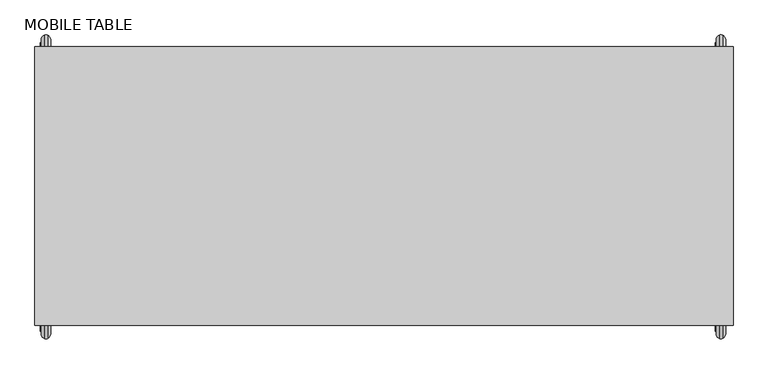
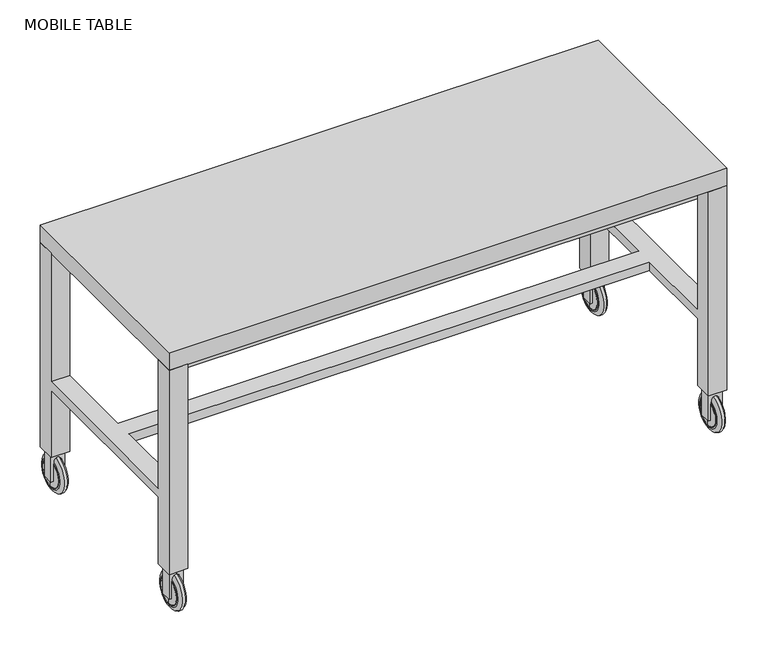
"""IFC4 building model written with IfcOpenShell, lengths in millimetres: proxy geometry, MOBILE TABLE."""

from ifc_helpers import new_model, si_unit, point, frame, frame_2d, origin, place, context, project, spatial, polyline, circle_curve, ellipse_curve, trimmed, segment, composite_curve, outline, extrude, faceted_brep, source, transform, mapped, element, save
from ifc_brep_helpers import plane_surface, revolved_surface, advanced_brep


def mobile_table_321208a8(model_context):
    return source(origin(), model_context, "Body", "SolidModel", [
        faceted_brep([(255.5693622, 50.9169439, 711.2), (306.3693622, 50.9169439, 711.2), (306.3693622, 101.7169439, 711.2), (255.5693622, 101.7169439, 711.2), (1779.5693622, 50.9169439, 711.2), (1779.5693622, 101.7169439, 711.2), (1728.7693622, 101.7169439, 711.2), (1728.7693622, 50.9169439, 711.2), (255.5693622, -457.0830561, 711.2), (255.5693622, -507.8830561, 711.2), (306.3693622, -507.8830561, 711.2), (306.3693622, -457.0830561, 711.2), (1779.5693622, -457.0830561, 711.2), (1728.7693622, -457.0830561, 711.2), (1728.7693622, -507.8830561, 711.2), (1779.5693622, -507.8830561, 711.2), (255.5693622, 50.9169439, 120.7224342), (255.5693622, 101.7169439, 120.7224342), (306.3693622, 101.7169439, 120.7224342), (306.3693622, 50.9169439, 120.7224342), (1779.5693622, 50.9169439, 120.7224342), (1728.7693622, 50.9169439, 120.7224342), (1728.7693622, 101.7169439, 120.7224342), (1779.5693622, 101.7169439, 120.7224342), (255.5693622, -457.0830561, 120.7224342), (306.3693622, -457.0830561, 120.7224342), (306.3693622, -507.8830561, 120.7224342), (255.5693622, -507.8830561, 120.7224342), (1779.5693622, -457.0830561, 120.7224342), (1779.5693622, -507.8830561, 120.7224342), (1728.7693622, -507.8830561, 120.7224342), (1728.7693622, -457.0830561, 120.7224342), (255.5693622, 50.9169439, 339.4654131), (306.3693622, 50.9169439, 339.4654131), (306.3693622, 50.9169439, 314.0654131), (255.5693622, 50.9169439, 314.0654131), (306.3693622, -177.6830561, 339.4654131), (306.3693622, -177.6830561, 314.0654131), (255.5693622, -457.0830561, 314.0654131), (255.5693622, -457.0830561, 339.4654131), (1779.5693622, 50.9169439, 339.4654131), (1779.5693622, -457.0830561, 339.4654131), (1779.5693622, -457.0830561, 314.0654131), (1779.5693622, 50.9169439, 314.0654131), (1728.7693622, 50.9169439, 314.0654131), (1728.7693622, -177.6830561, 314.0654131), (1728.7693622, -177.6830561, 339.4654131), (1728.7693622, 50.9169439, 339.4654131), (306.3693622, -457.0830561, 314.0654131), (306.3693622, -228.4830561, 314.0654131), (306.3693622, -228.4830561, 339.4654131), (306.3693622, -457.0830561, 339.4654131), (1728.7693622, -457.0830561, 339.4654131), (1728.7693622, -457.0830561, 314.0654131), (1728.7693622, -228.4830561, 339.4654131), (1728.7693622, -228.4830561, 314.0654131)], [[[0, 1, 2, 3]], [[4, 5, 6, 7]], [[8, 9, 10, 11]], [[12, 13, 14, 15]], [[16, 17, 18, 19]], [[20, 21, 22, 23]], [[24, 25, 26, 27]], [[28, 29, 30, 31]], [[1, 0, 32, 33]], [[16, 19, 34, 35]], [[2, 1, 33, 36, 37, 34, 19, 18]], [[17, 3, 2, 18]], [[0, 3, 17, 16, 35, 38, 24, 27, 9, 8, 39, 32]], [[5, 4, 40, 41, 12, 15, 29, 28, 42, 43, 20, 23]], [[22, 6, 5, 23]], [[7, 6, 22, 21, 44, 45, 46, 47]], [[4, 7, 47, 40]], [[21, 20, 43, 44]], [[26, 10, 9, 27]], [[11, 10, 26, 25, 48, 49, 50, 51]], [[8, 11, 51, 39]], [[25, 24, 38, 48]], [[13, 12, 41, 52]], [[28, 31, 53, 42]], [[14, 13, 52, 54, 55, 53, 31, 30]], [[29, 15, 14, 30]], [[50, 54, 52, 41, 40, 47, 46, 36, 33, 32, 39, 51]], [[37, 45, 44, 43, 42, 53, 55, 49, 48, 38, 35, 34]], [[54, 50, 49, 55]], [[36, 46, 45, 37]]]),
        extrude(outline(polyline([(1779.5693622, 101.7169439), (1779.5693622, -507.8830561), (255.5693622, -507.8830561), (255.5693622, 101.7169439), (1779.5693622, 101.7169439)])), frame((0.0, 0.0, 711.2), z_axis=(0.0, 0.0, 1.0), x_axis=(1.0, 0.0, 0.0)), (0.0, 0.0, 1.0), 50.8),
        extrude(outline(polyline([(1728.7693622, 50.9169439), (1728.7693622, -457.0830561), (306.3693622, -457.0830561), (306.3693622, 50.9169439), (1728.7693622, 50.9169439)])), frame((0.0, 0.0, 660.4), z_axis=(0.0, 0.0, 1.0), x_axis=(1.0, 0.0, 0.0)), (0.0, 0.0, 1.0), 50.8),
        extrude(outline(composite_curve([segment(polyline([(40.4886322, 1734.5334156), (40.4886322, 1740.8834156), (90.7346928, 1740.8834156)]), True, "CONTINUOUS"), segment(trimmed(circle_curve(frame_2d((90.7346928, 1742.3205501)), 1.4371345), [point((90.7346928, 1740.8834156))], [point((92.1718273, 1742.3205501))], True, "CARTESIAN"), True, "CONTINUOUS"), segment(trimmed(circle_curve(frame_2d((95.1971093, 1754.6019459)), 12.6485183), [point((92.1718273, 1742.3205501))], [point((107.8391155, 1754.1961205))], True, "CARTESIAN"), True, "CONTINUOUS"), segment(trimmed(circle_curve(frame_2d((95.3224342, 1750.6070199)), 13.0210965), [point((107.8391155, 1754.1961205))], [point((95.3224342, 1763.6281164))], True, "CARTESIAN"), True, "CONTINUOUS"), segment(polyline([(95.3224342, 1763.6281164), (40.4886322, 1763.6281164), (40.4886322, 1772.6334156), (120.7224342, 1772.6334156), (120.7224342, 1734.5334156), (40.4886322, 1734.5334156)]), True, "CONTINUOUS")], self_intersect=False)), frame((0.0, -497.5777842, 0.0), z_axis=(0.0, 1.0, 0.0), x_axis=(0.0, 0.0, 1.0)), (0.0, 0.0, 1.0), 30.1894562),
        advanced_brep(
        [(1742.3205501, -484.086158, 13.5564837), (1742.3205501, -484.086158, 95.7752557), (1742.3205501, -484.086158, 92.1718273), (1742.3205501, -484.086158, 17.1599122), (1748.8176202, -484.086158, 2.6028962), (1748.8176202, -484.086158, 106.7288433), (1756.8473592, -484.086158, 2.6028962), (1756.8473592, -484.086158, 106.7288433), (1740.8834156, -484.086158, 18.5970467), (1740.8834156, -484.086158, 90.7346928), (1740.8834156, -484.086158, 54.6658697), (1763.3444294, -484.086158, 13.5564837), (1763.3444294, -484.086158, 95.7752557), (1763.3444294, -484.086158, 54.6658697)],
        [
            (0, 1, circle_curve(frame((1742.3205501, -484.086158, 54.6658697), z_axis=(-1.0, 0.0, 0.0), x_axis=(0.0, 0.0, 1.0)), 41.109386)),
            (1, 2),
            (2, 3, circle_curve(frame((1742.3205501, -484.086158, 54.6658697), z_axis=(1.0, 0.0, 0.0), x_axis=(0.0, 0.0, 1.0)), 37.5059576)),
            (3, 0),
            (1, 0, circle_curve(frame((1742.3205501, -484.086158, 54.6658697), z_axis=(-1.0, 0.0, 0.0), x_axis=(0.0, 0.0, 1.0)), 41.109386)),
            (3, 2, circle_curve(frame((1742.3205501, -484.086158, 54.6658697), z_axis=(1.0, 0.0, 0.0), x_axis=(0.0, 0.0, 1.0)), 37.5059576)),
            (4, 5, circle_curve(frame((1748.8176202, -484.086158, 54.6658697), z_axis=(-1.0, 0.0, 0.0), x_axis=(0.0, 0.0, 1.0)), 52.0629735)),
            (5, 1, circle_curve(frame((1754.802561, -484.086158, 95.7752557), z_axis=(0.0, -1.0, 0.0), x_axis=(-1.0, 0.0, 0.0)), 12.4820108)),
            (0, 4, circle_curve(frame((1754.802561, -484.086158, 13.5564837), z_axis=(0.0, -1.0, 0.0), x_axis=(-1.0, 0.0, 0.0)), 12.4820108)),
            (5, 4, circle_curve(frame((1748.8176202, -484.086158, 54.6658697), z_axis=(-1.0, 0.0, 0.0), x_axis=(0.0, 0.0, 1.0)), 52.0629735)),
            (6, 7, circle_curve(frame((1756.8473592, -484.086158, 54.6658697), z_axis=(-1.0, 0.0, 0.0), x_axis=(0.0, 0.0, 1.0)), 52.0629735)),
            (7, 5, circle_curve(frame((1752.8324897, -484.086158, 98.8982307), z_axis=(0.0, -1.0, 0.0), x_axis=(-1.0, 0.0, 0.0)), 8.7998676)),
            (4, 6, circle_curve(frame((1752.8324897, -484.086158, 10.4335088), z_axis=(0.0, -1.0, 0.0), x_axis=(-1.0, 0.0, 0.0)), 8.7998676)),
            (7, 6, circle_curve(frame((1756.8473592, -484.086158, 54.6658697), z_axis=(-1.0, 0.0, 0.0), x_axis=(0.0, 0.0, 1.0)), 52.0629735)),
            (8, 9, circle_curve(frame((1740.8834156, -484.086158, 54.6658697), z_axis=(-1.0, 0.0, 0.0), x_axis=(0.0, 0.0, 1.0)), 36.068823)),
            (9, 10),
            (10, 8),
            (9, 8, circle_curve(frame((1740.8834156, -484.086158, 54.6658697), z_axis=(-1.0, 0.0, 0.0), x_axis=(0.0, 0.0, 1.0)), 36.068823)),
            (2, 9, circle_curve(frame((1743.1698615, -484.086158, 89.8853814), z_axis=(0.0, -1.0, 0.0), x_axis=(-1.0, 0.0, 0.0)), 2.4390909)),
            (8, 3, circle_curve(frame((1743.1698615, -484.086158, 19.446358), z_axis=(0.0, -1.0, 0.0), x_axis=(-1.0, 0.0, 0.0)), 2.4390909)),
            (11, 12, circle_curve(frame((1763.3444294, -484.086158, 54.6658697), z_axis=(-1.0, 0.0, 0.0), x_axis=(0.0, 0.0, 1.0)), 41.109386)),
            (12, 7, circle_curve(frame((1750.8624185, -484.086158, 95.7752557), z_axis=(0.0, -1.0, 0.0), x_axis=(-1.0, 0.0, 0.0)), 12.4820108)),
            (6, 11, circle_curve(frame((1750.8624185, -484.086158, 13.5564837), z_axis=(0.0, -1.0, 0.0), x_axis=(-1.0, 0.0, 0.0)), 12.4820108)),
            (12, 11, circle_curve(frame((1763.3444294, -484.086158, 54.6658697), z_axis=(-1.0, 0.0, 0.0), x_axis=(0.0, 0.0, 1.0)), 41.109386)),
            (13, 12),
            (11, 13),
        ],
        [
            plane_surface(frame((1742.3205501, -484.086158, 54.6658697), z_axis=(-1.0, 0.0, 0.0), x_axis=(0.0, 0.0, 1.0))),
            revolved_surface(trimmed(ellipse_curve(frame((1754.802561, -484.086158, 95.7752557), z_axis=(0.0, 1.0, 0.0), x_axis=(-1.0, 0.0, 0.0)), 12.4820108, 12.4820108), [point((1742.3205501, -484.086158, 95.7752557))], [point((1748.8176202, -484.086158, 106.7288433))], True, "CARTESIAN"), (1760.1276168, -484.086158, 54.6658697), (1.0, 0.0, 0.0)),
            revolved_surface(trimmed(ellipse_curve(frame((1752.8324897, -484.086158, 98.8982307), z_axis=(0.0, 1.0, 0.0), x_axis=(-1.0, 0.0, 0.0)), 8.7998676, 8.7998676), [point((1748.8176202, -484.086158, 106.7288433))], [point((1756.8473592, -484.086158, 106.7288433))], True, "CARTESIAN"), (1760.1276168, -484.086158, 54.6658697), (1.0, 0.0, 0.0)),
            plane_surface(frame((1740.8834156, -484.086158, 54.6658697), z_axis=(-1.0, 0.0, 0.0), x_axis=(0.0, 0.0, 1.0))),
            revolved_surface(trimmed(ellipse_curve(frame((1743.1698615, -484.086158, 89.8853814), z_axis=(0.0, 1.0, 0.0), x_axis=(-1.0, 0.0, 0.0)), 2.4390909, 2.4390909), [point((1740.8834156, -484.086158, 90.7346928))], [point((1742.3205501, -484.086158, 92.1718273))], True, "CARTESIAN"), (1760.1276168, -484.086158, 54.6658697), (1.0, 0.0, 0.0)),
            revolved_surface(trimmed(ellipse_curve(frame((1750.8624185, -484.086158, 95.7752557), z_axis=(0.0, 1.0, 0.0), x_axis=(-1.0, 0.0, 0.0)), 12.4820108, 12.4820108), [point((1756.8473592, -484.086158, 106.7288433))], [point((1763.3444294, -484.086158, 95.7752557))], True, "CARTESIAN"), (1760.1276168, -484.086158, 54.6658697), (1.0, 0.0, 0.0)),
            plane_surface(frame((1763.3444294, -484.086158, 54.6658697), z_axis=(1.0, 0.0, 0.0), x_axis=(0.0, 0.0, 1.0))),
        ],
        [
            (0, [[1, 2, 3, 4]]),
            (0, [[5, -4, 6, -2]]),
            (1, [[7, 8, -1, 9]]),
            (1, [[10, -9, -5, -8]]),
            (2, [[11, 12, -7, 13]]),
            (2, [[14, -13, -10, -12]]),
            (3, [[15, 16, 17]]),
            (3, [[18, -17, -16]]),
            (4, [[-3, 19, -15, 20]]),
            (4, [[-6, -20, -18, -19]]),
            (5, [[21, 22, -11, 23]]),
            (5, [[24, -23, -14, -22]]),
            (6, [[25, -21, 26]]),
            (6, [[-26, -24, -25]]),
        ],
    ),
        extrude(outline(composite_curve([segment(polyline([(40.4886322, 1734.5334156), (40.4886322, 1740.8834156), (90.7346928, 1740.8834156)]), True, "CONTINUOUS"), segment(trimmed(circle_curve(frame_2d((90.7346928, 1742.3205501)), 1.4371345), [point((90.7346928, 1740.8834156))], [point((92.1718273, 1742.3205501))], True, "CARTESIAN"), True, "CONTINUOUS"), segment(trimmed(circle_curve(frame_2d((95.1971093, 1754.6019459)), 12.6485183), [point((92.1718273, 1742.3205501))], [point((107.8391155, 1754.1961205))], True, "CARTESIAN"), True, "CONTINUOUS"), segment(trimmed(circle_curve(frame_2d((95.3224342, 1750.6070199)), 13.0210965), [point((107.8391155, 1754.1961205))], [point((95.3224342, 1763.6281164))], True, "CARTESIAN"), True, "CONTINUOUS"), segment(polyline([(95.3224342, 1763.6281164), (40.4886322, 1763.6281164), (40.4886322, 1772.6334156), (120.7224342, 1772.6334156), (120.7224342, 1734.5334156), (40.4886322, 1734.5334156)]), True, "CONTINUOUS")], self_intersect=False)), frame((0.0, 61.2222158, 0.0), z_axis=(0.0, 1.0, 0.0), x_axis=(0.0, 0.0, 1.0)), (0.0, 0.0, 1.0), 30.1894562),
        advanced_brep(
        [(1742.3205501, 74.713842, 13.5564837), (1742.3205501, 74.713842, 95.7752557), (1742.3205501, 74.713842, 92.1718273), (1742.3205501, 74.713842, 17.1599122), (1748.8176202, 74.713842, 2.6028962), (1748.8176202, 74.713842, 106.7288433), (1756.8473592, 74.713842, 2.6028962), (1756.8473592, 74.713842, 106.7288433), (1740.8834156, 74.713842, 18.5970467), (1740.8834156, 74.713842, 90.7346928), (1740.8834156, 74.713842, 54.6658697), (1763.3444294, 74.713842, 13.5564837), (1763.3444294, 74.713842, 95.7752557), (1763.3444294, 74.713842, 54.6658697)],
        [
            (0, 1, circle_curve(frame((1742.3205501, 74.713842, 54.6658697), z_axis=(-1.0, 0.0, 0.0), x_axis=(0.0, 0.0, 1.0)), 41.109386)),
            (1, 2),
            (2, 3, circle_curve(frame((1742.3205501, 74.713842, 54.6658697), z_axis=(1.0, 0.0, 0.0), x_axis=(0.0, 0.0, 1.0)), 37.5059576)),
            (3, 0),
            (1, 0, circle_curve(frame((1742.3205501, 74.713842, 54.6658697), z_axis=(-1.0, 0.0, 0.0), x_axis=(0.0, 0.0, 1.0)), 41.109386)),
            (3, 2, circle_curve(frame((1742.3205501, 74.713842, 54.6658697), z_axis=(1.0, 0.0, 0.0), x_axis=(0.0, 0.0, 1.0)), 37.5059576)),
            (4, 5, circle_curve(frame((1748.8176202, 74.713842, 54.6658697), z_axis=(-1.0, 0.0, 0.0), x_axis=(0.0, 0.0, 1.0)), 52.0629735)),
            (5, 1, circle_curve(frame((1754.802561, 74.713842, 95.7752557), z_axis=(0.0, -1.0, 0.0), x_axis=(-1.0, 0.0, 0.0)), 12.4820108)),
            (0, 4, circle_curve(frame((1754.802561, 74.713842, 13.5564837), z_axis=(0.0, -1.0, 0.0), x_axis=(-1.0, 0.0, 0.0)), 12.4820108)),
            (5, 4, circle_curve(frame((1748.8176202, 74.713842, 54.6658697), z_axis=(-1.0, 0.0, 0.0), x_axis=(0.0, 0.0, 1.0)), 52.0629735)),
            (6, 7, circle_curve(frame((1756.8473592, 74.713842, 54.6658697), z_axis=(-1.0, 0.0, 0.0), x_axis=(0.0, 0.0, 1.0)), 52.0629735)),
            (7, 5, circle_curve(frame((1752.8324897, 74.713842, 98.8982307), z_axis=(0.0, -1.0, 0.0), x_axis=(-1.0, 0.0, 0.0)), 8.7998676)),
            (4, 6, circle_curve(frame((1752.8324897, 74.713842, 10.4335088), z_axis=(0.0, -1.0, 0.0), x_axis=(-1.0, 0.0, 0.0)), 8.7998676)),
            (7, 6, circle_curve(frame((1756.8473592, 74.713842, 54.6658697), z_axis=(-1.0, 0.0, 0.0), x_axis=(0.0, 0.0, 1.0)), 52.0629735)),
            (8, 9, circle_curve(frame((1740.8834156, 74.713842, 54.6658697), z_axis=(-1.0, 0.0, 0.0), x_axis=(0.0, 0.0, 1.0)), 36.068823)),
            (9, 10),
            (10, 8),
            (9, 8, circle_curve(frame((1740.8834156, 74.713842, 54.6658697), z_axis=(-1.0, 0.0, 0.0), x_axis=(0.0, 0.0, 1.0)), 36.068823)),
            (2, 9, circle_curve(frame((1743.1698615, 74.713842, 89.8853814), z_axis=(0.0, -1.0, 0.0), x_axis=(-1.0, 0.0, 0.0)), 2.4390909)),
            (8, 3, circle_curve(frame((1743.1698615, 74.713842, 19.446358), z_axis=(0.0, -1.0, 0.0), x_axis=(-1.0, 0.0, 0.0)), 2.4390909)),
            (11, 12, circle_curve(frame((1763.3444294, 74.713842, 54.6658697), z_axis=(-1.0, 0.0, 0.0), x_axis=(0.0, 0.0, 1.0)), 41.109386)),
            (12, 7, circle_curve(frame((1750.8624185, 74.713842, 95.7752557), z_axis=(0.0, -1.0, 0.0), x_axis=(-1.0, 0.0, 0.0)), 12.4820108)),
            (6, 11, circle_curve(frame((1750.8624185, 74.713842, 13.5564837), z_axis=(0.0, -1.0, 0.0), x_axis=(-1.0, 0.0, 0.0)), 12.4820108)),
            (12, 11, circle_curve(frame((1763.3444294, 74.713842, 54.6658697), z_axis=(-1.0, 0.0, 0.0), x_axis=(0.0, 0.0, 1.0)), 41.109386)),
            (13, 12),
            (11, 13),
        ],
        [
            plane_surface(frame((1742.3205501, 74.713842, 54.6658697), z_axis=(-1.0, 0.0, 0.0), x_axis=(0.0, 0.0, 1.0))),
            revolved_surface(trimmed(ellipse_curve(frame((1754.802561, 74.713842, 95.7752557), z_axis=(0.0, 1.0, 0.0), x_axis=(-1.0, 0.0, 0.0)), 12.4820108, 12.4820108), [point((1742.3205501, 74.713842, 95.7752557))], [point((1748.8176202, 74.713842, 106.7288433))], True, "CARTESIAN"), (1760.1276168, 74.713842, 54.6658697), (1.0, 0.0, 0.0)),
            revolved_surface(trimmed(ellipse_curve(frame((1752.8324897, 74.713842, 98.8982307), z_axis=(0.0, 1.0, 0.0), x_axis=(-1.0, 0.0, 0.0)), 8.7998676, 8.7998676), [point((1748.8176202, 74.713842, 106.7288433))], [point((1756.8473592, 74.713842, 106.7288433))], True, "CARTESIAN"), (1760.1276168, 74.713842, 54.6658697), (1.0, 0.0, 0.0)),
            plane_surface(frame((1740.8834156, 74.713842, 54.6658697), z_axis=(-1.0, 0.0, 0.0), x_axis=(0.0, 0.0, 1.0))),
            revolved_surface(trimmed(ellipse_curve(frame((1743.1698615, 74.713842, 89.8853814), z_axis=(0.0, 1.0, 0.0), x_axis=(-1.0, 0.0, 0.0)), 2.4390909, 2.4390909), [point((1740.8834156, 74.713842, 90.7346928))], [point((1742.3205501, 74.713842, 92.1718273))], True, "CARTESIAN"), (1760.1276168, 74.713842, 54.6658697), (1.0, 0.0, 0.0)),
            revolved_surface(trimmed(ellipse_curve(frame((1750.8624185, 74.713842, 95.7752557), z_axis=(0.0, 1.0, 0.0), x_axis=(-1.0, 0.0, 0.0)), 12.4820108, 12.4820108), [point((1756.8473592, 74.713842, 106.7288433))], [point((1763.3444294, 74.713842, 95.7752557))], True, "CARTESIAN"), (1760.1276168, 74.713842, 54.6658697), (1.0, 0.0, 0.0)),
            plane_surface(frame((1763.3444294, 74.713842, 54.6658697), z_axis=(1.0, 0.0, 0.0), x_axis=(0.0, 0.0, 1.0))),
        ],
        [
            (0, [[1, 2, 3, 4]]),
            (0, [[5, -4, 6, -2]]),
            (1, [[7, 8, -1, 9]]),
            (1, [[10, -9, -5, -8]]),
            (2, [[11, 12, -7, 13]]),
            (2, [[14, -13, -10, -12]]),
            (3, [[15, 16, 17]]),
            (3, [[18, -17, -16]]),
            (4, [[-3, 19, -15, 20]]),
            (4, [[-6, -20, -18, -19]]),
            (5, [[21, 22, -11, 23]]),
            (5, [[24, -23, -14, -22]]),
            (6, [[25, -21, 26]]),
            (6, [[-26, -24, -25]]),
        ],
    ),
        extrude(outline(composite_curve([segment(polyline([(40.4886322, 261.2798989), (40.4886322, 267.6298989), (90.7346928, 267.6298989)]), True, "CONTINUOUS"), segment(trimmed(circle_curve(frame_2d((90.7346928, 269.0670335)), 1.4371345), [point((90.7346928, 267.6298989))], [point((92.1718273, 269.0670335))], True, "CARTESIAN"), True, "CONTINUOUS"), segment(trimmed(circle_curve(frame_2d((95.1971093, 281.3484293)), 12.6485183), [point((92.1718273, 269.0670335))], [point((107.8391155, 280.9426038))], True, "CARTESIAN"), True, "CONTINUOUS"), segment(trimmed(circle_curve(frame_2d((95.3224342, 277.3535032)), 13.0210965), [point((107.8391155, 280.9426038))], [point((95.3224342, 290.3745997))], True, "CARTESIAN"), True, "CONTINUOUS"), segment(polyline([(95.3224342, 290.3745997), (40.4886322, 290.3745997), (40.4886322, 299.3798989), (120.7224342, 299.3798989), (120.7224342, 261.2798989), (40.4886322, 261.2798989)]), True, "CONTINUOUS")], self_intersect=False)), frame((0.0, -497.5777842, 0.0), z_axis=(0.0, 1.0, 0.0), x_axis=(0.0, 0.0, 1.0)), (0.0, 0.0, 1.0), 30.1894562),
        advanced_brep(
        [(269.0670335, -484.086158, 13.5564837), (269.0670335, -484.086158, 95.7752557), (269.0670335, -484.086158, 92.1718273), (269.0670335, -484.086158, 17.1599122), (275.5641036, -484.086158, 2.6028962), (275.5641036, -484.086158, 106.7288433), (283.5938426, -484.086158, 2.6028962), (283.5938426, -484.086158, 106.7288433), (267.6298989, -484.086158, 18.5970467), (267.6298989, -484.086158, 90.7346928), (267.6298989, -484.086158, 54.6658697), (290.0909127, -484.086158, 13.5564837), (290.0909127, -484.086158, 95.7752557), (290.0909127, -484.086158, 54.6658697)],
        [
            (0, 1, circle_curve(frame((269.0670335, -484.086158, 54.6658697), z_axis=(-1.0, 0.0, 0.0), x_axis=(0.0, 0.0, 1.0)), 41.109386)),
            (1, 2),
            (2, 3, circle_curve(frame((269.0670335, -484.086158, 54.6658697), z_axis=(1.0, 0.0, 0.0), x_axis=(0.0, 0.0, 1.0)), 37.5059576)),
            (3, 0),
            (1, 0, circle_curve(frame((269.0670335, -484.086158, 54.6658697), z_axis=(-1.0, 0.0, 0.0), x_axis=(0.0, 0.0, 1.0)), 41.109386)),
            (3, 2, circle_curve(frame((269.0670335, -484.086158, 54.6658697), z_axis=(1.0, 0.0, 0.0), x_axis=(0.0, 0.0, 1.0)), 37.5059576)),
            (4, 5, circle_curve(frame((275.5641036, -484.086158, 54.6658697), z_axis=(-1.0, 0.0, 0.0), x_axis=(0.0, 0.0, 1.0)), 52.0629735)),
            (5, 1, circle_curve(frame((281.5490443, -484.086158, 95.7752557), z_axis=(0.0, -1.0, 0.0), x_axis=(-1.0, 0.0, 0.0)), 12.4820108)),
            (0, 4, circle_curve(frame((281.5490443, -484.086158, 13.5564837), z_axis=(0.0, -1.0, 0.0), x_axis=(-1.0, 0.0, 0.0)), 12.4820108)),
            (5, 4, circle_curve(frame((275.5641036, -484.086158, 54.6658697), z_axis=(-1.0, 0.0, 0.0), x_axis=(0.0, 0.0, 1.0)), 52.0629735)),
            (6, 7, circle_curve(frame((283.5938426, -484.086158, 54.6658697), z_axis=(-1.0, 0.0, 0.0), x_axis=(0.0, 0.0, 1.0)), 52.0629735)),
            (7, 5, circle_curve(frame((279.5789731, -484.086158, 98.8982307), z_axis=(0.0, -1.0, 0.0), x_axis=(-1.0, 0.0, 0.0)), 8.7998676)),
            (4, 6, circle_curve(frame((279.5789731, -484.086158, 10.4335088), z_axis=(0.0, -1.0, 0.0), x_axis=(-1.0, 0.0, 0.0)), 8.7998676)),
            (7, 6, circle_curve(frame((283.5938426, -484.086158, 54.6658697), z_axis=(-1.0, 0.0, 0.0), x_axis=(0.0, 0.0, 1.0)), 52.0629735)),
            (8, 9, circle_curve(frame((267.6298989, -484.086158, 54.6658697), z_axis=(-1.0, 0.0, 0.0), x_axis=(0.0, 0.0, 1.0)), 36.068823)),
            (9, 10),
            (10, 8),
            (9, 8, circle_curve(frame((267.6298989, -484.086158, 54.6658697), z_axis=(-1.0, 0.0, 0.0), x_axis=(0.0, 0.0, 1.0)), 36.068823)),
            (2, 9, circle_curve(frame((269.9163448, -484.086158, 89.8853814), z_axis=(0.0, -1.0, 0.0), x_axis=(-1.0, 0.0, 0.0)), 2.4390909)),
            (8, 3, circle_curve(frame((269.9163448, -484.086158, 19.446358), z_axis=(0.0, -1.0, 0.0), x_axis=(-1.0, 0.0, 0.0)), 2.4390909)),
            (11, 12, circle_curve(frame((290.0909127, -484.086158, 54.6658697), z_axis=(-1.0, 0.0, 0.0), x_axis=(0.0, 0.0, 1.0)), 41.109386)),
            (12, 7, circle_curve(frame((277.6089019, -484.086158, 95.7752557), z_axis=(0.0, -1.0, 0.0), x_axis=(-1.0, 0.0, 0.0)), 12.4820108)),
            (6, 11, circle_curve(frame((277.6089019, -484.086158, 13.5564837), z_axis=(0.0, -1.0, 0.0), x_axis=(-1.0, 0.0, 0.0)), 12.4820108)),
            (12, 11, circle_curve(frame((290.0909127, -484.086158, 54.6658697), z_axis=(-1.0, 0.0, 0.0), x_axis=(0.0, 0.0, 1.0)), 41.109386)),
            (13, 12),
            (11, 13),
        ],
        [
            plane_surface(frame((269.0670335, -484.086158, 54.6658697), z_axis=(-1.0, 0.0, 0.0), x_axis=(0.0, 0.0, 1.0))),
            revolved_surface(trimmed(ellipse_curve(frame((281.5490443, -484.086158, 95.7752557), z_axis=(0.0, 1.0, 0.0), x_axis=(-1.0, 0.0, 0.0)), 12.4820108, 12.4820108), [point((269.0670335, -484.086158, 95.7752557))], [point((275.5641036, -484.086158, 106.7288433))], True, "CARTESIAN"), (286.8741002, -484.086158, 54.6658697), (1.0, 0.0, 0.0)),
            revolved_surface(trimmed(ellipse_curve(frame((279.5789731, -484.086158, 98.8982307), z_axis=(0.0, 1.0, 0.0), x_axis=(-1.0, 0.0, 0.0)), 8.7998676, 8.7998676), [point((275.5641036, -484.086158, 106.7288433))], [point((283.5938426, -484.086158, 106.7288433))], True, "CARTESIAN"), (286.8741002, -484.086158, 54.6658697), (1.0, 0.0, 0.0)),
            plane_surface(frame((267.6298989, -484.086158, 54.6658697), z_axis=(-1.0, 0.0, 0.0), x_axis=(0.0, 0.0, 1.0))),
            revolved_surface(trimmed(ellipse_curve(frame((269.9163448, -484.086158, 89.8853814), z_axis=(0.0, 1.0, 0.0), x_axis=(-1.0, 0.0, 0.0)), 2.4390909, 2.4390909), [point((267.6298989, -484.086158, 90.7346928))], [point((269.0670335, -484.086158, 92.1718273))], True, "CARTESIAN"), (286.8741002, -484.086158, 54.6658697), (1.0, 0.0, 0.0)),
            revolved_surface(trimmed(ellipse_curve(frame((277.6089019, -484.086158, 95.7752557), z_axis=(0.0, 1.0, 0.0), x_axis=(-1.0, 0.0, 0.0)), 12.4820108, 12.4820108), [point((283.5938426, -484.086158, 106.7288433))], [point((290.0909127, -484.086158, 95.7752557))], True, "CARTESIAN"), (286.8741002, -484.086158, 54.6658697), (1.0, 0.0, 0.0)),
            plane_surface(frame((290.0909127, -484.086158, 54.6658697), z_axis=(1.0, 0.0, 0.0), x_axis=(0.0, 0.0, 1.0))),
        ],
        [
            (0, [[1, 2, 3, 4]]),
            (0, [[5, -4, 6, -2]]),
            (1, [[7, 8, -1, 9]]),
            (1, [[10, -9, -5, -8]]),
            (2, [[11, 12, -7, 13]]),
            (2, [[14, -13, -10, -12]]),
            (3, [[15, 16, 17]]),
            (3, [[18, -17, -16]]),
            (4, [[-3, 19, -15, 20]]),
            (4, [[-6, -20, -18, -19]]),
            (5, [[21, 22, -11, 23]]),
            (5, [[24, -23, -14, -22]]),
            (6, [[25, -21, 26]]),
            (6, [[-26, -24, -25]]),
        ],
    ),
        extrude(outline(composite_curve([segment(polyline([(40.4886322, 261.2798989), (40.4886322, 267.6298989), (90.7346928, 267.6298989)]), True, "CONTINUOUS"), segment(trimmed(circle_curve(frame_2d((90.7346928, 269.0670335)), 1.4371345), [point((90.7346928, 267.6298989))], [point((92.1718273, 269.0670335))], True, "CARTESIAN"), True, "CONTINUOUS"), segment(trimmed(circle_curve(frame_2d((95.1971093, 281.3484293)), 12.6485183), [point((92.1718273, 269.0670335))], [point((107.8391155, 280.9426038))], True, "CARTESIAN"), True, "CONTINUOUS"), segment(trimmed(circle_curve(frame_2d((95.3224342, 277.3535032)), 13.0210965), [point((107.8391155, 280.9426038))], [point((95.3224342, 290.3745997))], True, "CARTESIAN"), True, "CONTINUOUS"), segment(polyline([(95.3224342, 290.3745997), (40.4886322, 290.3745997), (40.4886322, 299.3798989), (120.7224342, 299.3798989), (120.7224342, 261.2798989), (40.4886322, 261.2798989)]), True, "CONTINUOUS")], self_intersect=False)), frame((0.0, 61.2222158, 0.0), z_axis=(0.0, 1.0, 0.0), x_axis=(0.0, 0.0, 1.0)), (0.0, 0.0, 1.0), 30.1894562),
        advanced_brep(
        [(269.0670335, 74.713842, 13.5564837), (269.0670335, 74.713842, 95.7752557), (269.0670335, 74.713842, 92.1718273), (269.0670335, 74.713842, 17.1599122), (275.5641036, 74.713842, 2.6028962), (275.5641036, 74.713842, 106.7288433), (283.5938426, 74.713842, 2.6028962), (283.5938426, 74.713842, 106.7288433), (267.6298989, 74.713842, 18.5970467), (267.6298989, 74.713842, 90.7346928), (267.6298989, 74.713842, 54.6658697), (290.0909127, 74.713842, 13.5564837), (290.0909127, 74.713842, 95.7752557), (290.0909127, 74.713842, 54.6658697)],
        [
            (0, 1, circle_curve(frame((269.0670335, 74.713842, 54.6658697), z_axis=(-1.0, 0.0, 0.0), x_axis=(0.0, 0.0, 1.0)), 41.109386)),
            (1, 2),
            (2, 3, circle_curve(frame((269.0670335, 74.713842, 54.6658697), z_axis=(1.0, 0.0, 0.0), x_axis=(0.0, 0.0, 1.0)), 37.5059576)),
            (3, 0),
            (1, 0, circle_curve(frame((269.0670335, 74.713842, 54.6658697), z_axis=(-1.0, 0.0, 0.0), x_axis=(0.0, 0.0, 1.0)), 41.109386)),
            (3, 2, circle_curve(frame((269.0670335, 74.713842, 54.6658697), z_axis=(1.0, 0.0, 0.0), x_axis=(0.0, 0.0, 1.0)), 37.5059576)),
            (4, 5, circle_curve(frame((275.5641036, 74.713842, 54.6658697), z_axis=(-1.0, 0.0, 0.0), x_axis=(0.0, 0.0, 1.0)), 52.0629735)),
            (5, 1, circle_curve(frame((281.5490443, 74.713842, 95.7752557), z_axis=(0.0, -1.0, 0.0), x_axis=(-1.0, 0.0, 0.0)), 12.4820108)),
            (0, 4, circle_curve(frame((281.5490443, 74.713842, 13.5564837), z_axis=(0.0, -1.0, 0.0), x_axis=(-1.0, 0.0, 0.0)), 12.4820108)),
            (5, 4, circle_curve(frame((275.5641036, 74.713842, 54.6658697), z_axis=(-1.0, 0.0, 0.0), x_axis=(0.0, 0.0, 1.0)), 52.0629735)),
            (6, 7, circle_curve(frame((283.5938426, 74.713842, 54.6658697), z_axis=(-1.0, 0.0, 0.0), x_axis=(0.0, 0.0, 1.0)), 52.0629735)),
            (7, 5, circle_curve(frame((279.5789731, 74.713842, 98.8982307), z_axis=(0.0, -1.0, 0.0), x_axis=(-1.0, 0.0, 0.0)), 8.7998676)),
            (4, 6, circle_curve(frame((279.5789731, 74.713842, 10.4335088), z_axis=(0.0, -1.0, 0.0), x_axis=(-1.0, 0.0, 0.0)), 8.7998676)),
            (7, 6, circle_curve(frame((283.5938426, 74.713842, 54.6658697), z_axis=(-1.0, 0.0, 0.0), x_axis=(0.0, 0.0, 1.0)), 52.0629735)),
            (8, 9, circle_curve(frame((267.6298989, 74.713842, 54.6658697), z_axis=(-1.0, 0.0, 0.0), x_axis=(0.0, 0.0, 1.0)), 36.068823)),
            (9, 10),
            (10, 8),
            (9, 8, circle_curve(frame((267.6298989, 74.713842, 54.6658697), z_axis=(-1.0, 0.0, 0.0), x_axis=(0.0, 0.0, 1.0)), 36.068823)),
            (2, 9, circle_curve(frame((269.9163448, 74.713842, 89.8853814), z_axis=(0.0, -1.0, 0.0), x_axis=(-1.0, 0.0, 0.0)), 2.4390909)),
            (8, 3, circle_curve(frame((269.9163448, 74.713842, 19.446358), z_axis=(0.0, -1.0, 0.0), x_axis=(-1.0, 0.0, 0.0)), 2.4390909)),
            (11, 12, circle_curve(frame((290.0909127, 74.713842, 54.6658697), z_axis=(-1.0, 0.0, 0.0), x_axis=(0.0, 0.0, 1.0)), 41.109386)),
            (12, 7, circle_curve(frame((277.6089019, 74.713842, 95.7752557), z_axis=(0.0, -1.0, 0.0), x_axis=(-1.0, 0.0, 0.0)), 12.4820108)),
            (6, 11, circle_curve(frame((277.6089019, 74.713842, 13.5564837), z_axis=(0.0, -1.0, 0.0), x_axis=(-1.0, 0.0, 0.0)), 12.4820108)),
            (12, 11, circle_curve(frame((290.0909127, 74.713842, 54.6658697), z_axis=(-1.0, 0.0, 0.0), x_axis=(0.0, 0.0, 1.0)), 41.109386)),
            (13, 12),
            (11, 13),
        ],
        [
            plane_surface(frame((269.0670335, 74.713842, 54.6658697), z_axis=(-1.0, 0.0, 0.0), x_axis=(0.0, 0.0, 1.0))),
            revolved_surface(trimmed(ellipse_curve(frame((281.5490443, 74.713842, 95.7752557), z_axis=(0.0, 1.0, 0.0), x_axis=(-1.0, 0.0, 0.0)), 12.4820108, 12.4820108), [point((269.0670335, 74.713842, 95.7752557))], [point((275.5641036, 74.713842, 106.7288433))], True, "CARTESIAN"), (286.8741002, 74.713842, 54.6658697), (1.0, 0.0, 0.0)),
            revolved_surface(trimmed(ellipse_curve(frame((279.5789731, 74.713842, 98.8982307), z_axis=(0.0, 1.0, 0.0), x_axis=(-1.0, 0.0, 0.0)), 8.7998676, 8.7998676), [point((275.5641036, 74.713842, 106.7288433))], [point((283.5938426, 74.713842, 106.7288433))], True, "CARTESIAN"), (286.8741002, 74.713842, 54.6658697), (1.0, 0.0, 0.0)),
            plane_surface(frame((267.6298989, 74.713842, 54.6658697), z_axis=(-1.0, 0.0, 0.0), x_axis=(0.0, 0.0, 1.0))),
            revolved_surface(trimmed(ellipse_curve(frame((269.9163448, 74.713842, 89.8853814), z_axis=(0.0, 1.0, 0.0), x_axis=(-1.0, 0.0, 0.0)), 2.4390909, 2.4390909), [point((267.6298989, 74.713842, 90.7346928))], [point((269.0670335, 74.713842, 92.1718273))], True, "CARTESIAN"), (286.8741002, 74.713842, 54.6658697), (1.0, 0.0, 0.0)),
            revolved_surface(trimmed(ellipse_curve(frame((277.6089019, 74.713842, 95.7752557), z_axis=(0.0, 1.0, 0.0), x_axis=(-1.0, 0.0, 0.0)), 12.4820108, 12.4820108), [point((283.5938426, 74.713842, 106.7288433))], [point((290.0909127, 74.713842, 95.7752557))], True, "CARTESIAN"), (286.8741002, 74.713842, 54.6658697), (1.0, 0.0, 0.0)),
            plane_surface(frame((290.0909127, 74.713842, 54.6658697), z_axis=(1.0, 0.0, 0.0), x_axis=(0.0, 0.0, 1.0))),
        ],
        [
            (0, [[1, 2, 3, 4]]),
            (0, [[5, -4, 6, -2]]),
            (1, [[7, 8, -1, 9]]),
            (1, [[10, -9, -5, -8]]),
            (2, [[11, 12, -7, 13]]),
            (2, [[14, -13, -10, -12]]),
            (3, [[15, 16, 17]]),
            (3, [[18, -17, -16]]),
            (4, [[-3, 19, -15, 20]]),
            (4, [[-6, -20, -18, -19]]),
            (5, [[21, 22, -11, 23]]),
            (5, [[24, -23, -14, -22]]),
            (6, [[25, -21, 26]]),
            (6, [[-26, -24, -25]]),
        ],
    ),
    ])


if __name__ == "__main__":
    model = new_model("IFC4")
    model_context = context("Model", 3, world=origin())
    ifc_project = project(units=[si_unit("LENGTHUNIT", "METRE", prefix="MILLI")], contexts=[model_context])
    site = spatial("IfcSite", under=ifc_project)
    building = spatial("IfcBuilding", under=site)
    placement = place(None, origin())
    mobile_table_shape = mobile_table_321208a8(model_context)
    element("IfcBuildingElementProxy", 1, Name="MOBILE TABLE", ObjectType="MOBILE TABLE", at=placement, inside=building, context=model_context, shape_type="MappedRepresentation", body=[
        mapped(mobile_table_shape, transform((0.0, 0.0, 0.0), x_axis=(1.0, 0.0, 0.0), y_axis=(0.0, 1.0, 0.0), z_axis=(0.0, 0.0, 1.0))),
    ])
    save(model, "model.ifc")
